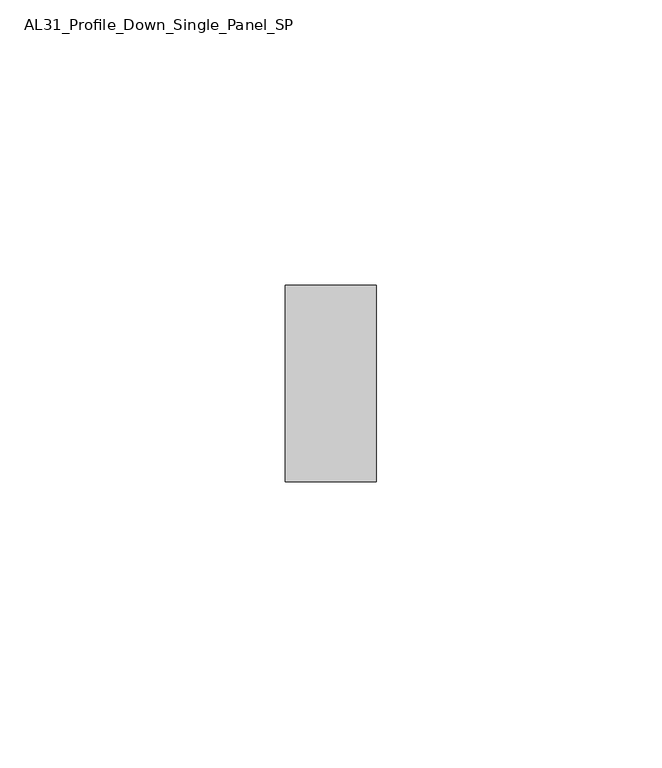
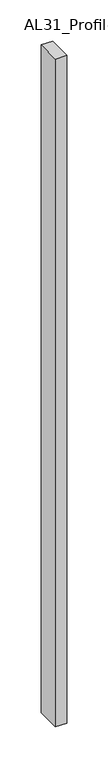
"""IFC4 building model written with IfcOpenShell, lengths in millimetres: member geometry, AL31_Profile_Down_Single_Panel_SP."""

from ifc_helpers import new_model, si_unit, frame, origin, place, context, project, spatial, polyline, outline, extrude, source, transform, mapped, element, save


def al31_profile_down_single_panel_sp_6c13e4bb(model_context):
    return source(origin(), model_context, "Body", "SweptSolid", [
        extrude(outline(polyline([(0.0, -17.25), (-16.0, -17.25), (-16.0, 17.25), (0.0, 17.25), (0.0, -17.25)])), frame((0.0, 0.0, -989.9001021), z_axis=(0.0, 0.0, 1.0), x_axis=(1.0, 0.0, 0.0)), (0.0, 0.0, 1.0), 989.9001021),
    ])


if __name__ == "__main__":
    model = new_model("IFC4")
    model_context = context("Model", 3, world=origin())
    ifc_project = project(units=[si_unit("LENGTHUNIT", "METRE", prefix="MILLI")], contexts=[model_context])
    site = spatial("IfcSite", under=ifc_project)
    building = spatial("IfcBuilding", under=site)
    placement = place(None, origin())
    al31_profile_down_single_panel_sp_shape = al31_profile_down_single_panel_sp_6c13e4bb(model_context)
    element("IfcMember", 1, ObjectType="AL31_Profile_Down_Single_Panel_SP", at=placement, inside=building, context=model_context, shape_type="MappedRepresentation", body=[
        mapped(al31_profile_down_single_panel_sp_shape, transform((0.0, 0.0, 0.0), x_axis=(1.0, 0.0, 0.0), y_axis=(0.0, 1.0, 0.0), z_axis=(0.0, 0.0, 1.0))),
    ])
    save(model, "model.ifc")
